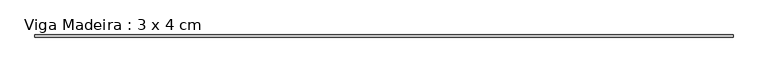
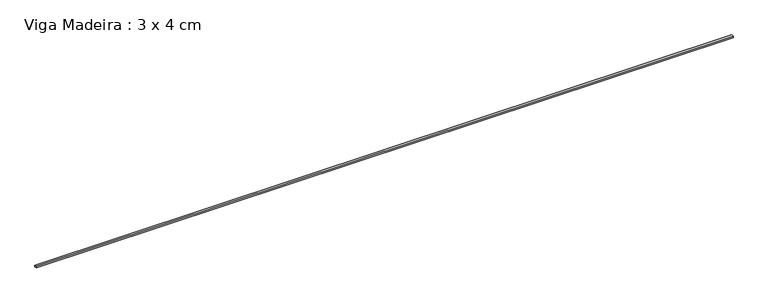
"""IFC4 building model written with IfcOpenShell, lengths in millimetres: beam geometry, Viga Madeira : 3 x 4 cm."""

from ifc_helpers import new_model, si_unit, frame, origin, place, context, project, spatial, polyline, outline, extrude, source, transform, mapped, element, save


def viga_madeira_3_x_4_cm_a8af7088(model_context):
    return source(origin(), model_context, "Body", "SweptSolid", [
        extrude(outline(polyline([(6581.9533812, 20.0), (6581.9533812, -20.0), (-6581.9533812, -20.0), (-6581.9533812, 20.0), (6581.9533812, 20.0)])), frame((0.0, 0.0, -15.0), z_axis=(0.0, 0.0, 1.0), x_axis=(1.0, 0.0, 0.0)), (0.0, 0.0, 1.0), 30.0),
    ])


if __name__ == "__main__":
    model = new_model("IFC4")
    model_context = context("Model", 3, world=origin())
    ifc_project = project(units=[si_unit("LENGTHUNIT", "METRE", prefix="MILLI")], contexts=[model_context])
    site = spatial("IfcSite", under=ifc_project)
    building = spatial("IfcBuilding", under=site)
    placement = place(None, origin())
    viga_madeira_3_x_4_cm_shape = viga_madeira_3_x_4_cm_a8af7088(model_context)
    element("IfcBeam", 1, ObjectType="Viga Madeira : 3 x 4 cm", at=placement, inside=building, context=model_context, shape_type="MappedRepresentation", body=[
        mapped(viga_madeira_3_x_4_cm_shape, transform((0.0, 0.0, 0.0), x_axis=(1.0, 0.0, 0.0), y_axis=(0.0, 1.0, 0.0), z_axis=(0.0, 0.0, 1.0))),
    ])
    save(model, "model.ifc")
